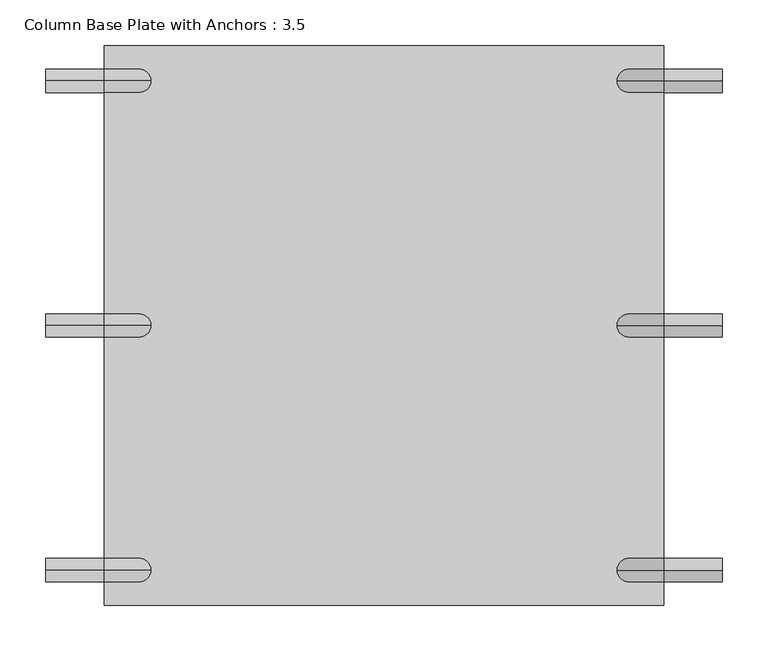
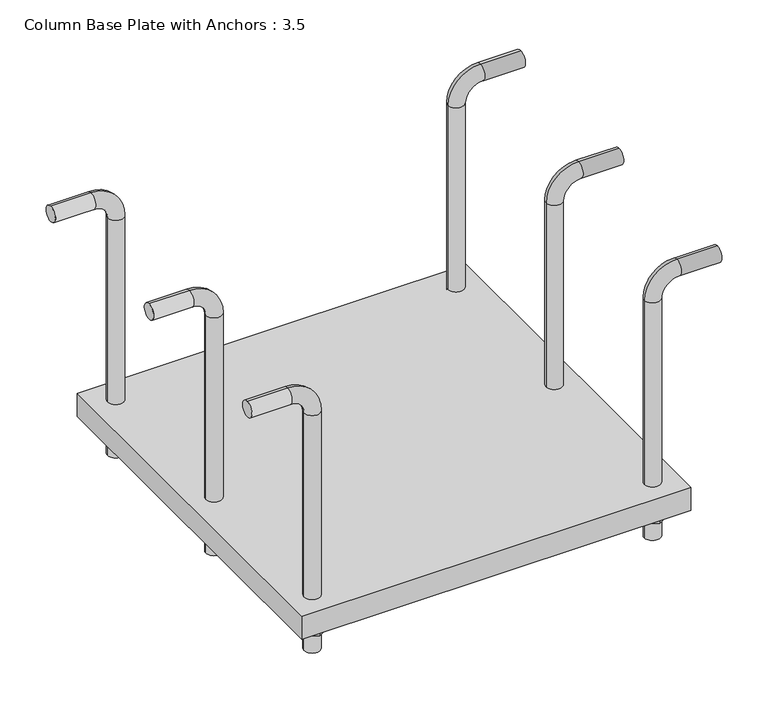
"""IFC4 building model written with IfcOpenShell, lengths in millimetres: fastener geometry, Column Base Plate with Anchors : 3.5."""

from ifc_helpers import new_model, si_unit, point, frame, origin, origin_with_axes, place, context, project, spatial, polyline, circle_curve, ellipse_curve, trimmed, outline, extrude, source, transform, mapped, element, save
from ifc_brep_helpers import plane_surface, cylinder_surface, revolved_surface, advanced_brep


def column_base_plate_with_anchors_3_5_8c5ebc89(model_context):
    return source(origin(), model_context, "Body", "SolidModel", [
        advanced_brep(
        [(279.4, 0.0, -50.8), (254.0, 0.0, -50.8), (254.0, 0.0, 342.9), (279.4, 0.0, 342.9), (304.8, 0.0, 368.3), (304.8, 0.0, 393.7), (368.3, 0.0, 393.7), (368.3, 0.0, 368.3)],
        [
            (0, 1, circle_curve(frame((266.7, 0.0, -50.8), z_axis=(0.0, 0.0, 1.0), x_axis=(1.0, 0.0, 0.0)), 12.7)),
            (1, 2),
            (2, 3, circle_curve(frame((266.7, 0.0, 342.9), z_axis=(0.0, 0.0, -1.0), x_axis=(1.0, 0.0, 0.0)), 12.7)),
            (3, 0),
            (0, 1, circle_curve(frame((266.7, 0.0, -50.8), z_axis=(0.0, 0.0, -1.0), x_axis=(1.0, 0.0, 0.0)), 12.7)),
            (3, 2, circle_curve(frame((266.7, 0.0, 342.9), z_axis=(0.0, 0.0, -1.0), x_axis=(1.0, 0.0, 0.0)), 12.7)),
            (4, 3, circle_curve(frame((304.8, 0.0, 342.9), z_axis=(0.0, -1.0, 0.0), x_axis=(-1.0, 0.0, 0.0)), 25.4)),
            (2, 5, circle_curve(frame((304.8, 0.0, 342.9), z_axis=(0.0, 1.0, 0.0), x_axis=(-1.0, 0.0, 0.0)), 50.8)),
            (5, 4, circle_curve(frame((304.8, 0.0, 381.0), z_axis=(-1.0, 0.0, 0.0), x_axis=(0.0, 0.0, -1.0)), 12.7)),
            (4, 5, circle_curve(frame((304.8, 0.0, 381.0), z_axis=(-1.0, 0.0, 0.0), x_axis=(0.0, 0.0, -1.0)), 12.7)),
            (6, 7, circle_curve(frame((368.3, 0.0, 381.0), z_axis=(1.0, 0.0, 0.0), x_axis=(0.0, 0.0, -1.0)), 12.7)),
            (7, 6, circle_curve(frame((368.3, 0.0, 381.0), z_axis=(1.0, 0.0, 0.0), x_axis=(0.0, 0.0, -1.0)), 12.7)),
            (5, 6),
            (7, 4),
        ],
        [
            cylinder_surface(frame((266.7, 0.0, -50.8), z_axis=(0.0, 0.0, -1.0), x_axis=(1.0, 0.0, 0.0)), 12.7),
            plane_surface(frame((266.7, 0.0, -50.8), z_axis=(0.0, 0.0, -1.0), x_axis=(0.0, 1.0, 0.0))),
            revolved_surface(trimmed(ellipse_curve(frame((266.7, 0.0, 342.9), z_axis=(0.0, 0.0, -1.0), x_axis=(1.0, 0.0, 0.0)), 12.7, 12.7), [point((254.0, 0.0, 342.9))], [point((279.4, 0.0, 342.9))], True, "CARTESIAN"), (304.8, 0.0, 342.9), (0.0, 1.0, 0.0)),
            revolved_surface(trimmed(ellipse_curve(frame((266.7, 0.0, 342.9), z_axis=(0.0, 0.0, -1.0), x_axis=(1.0, 0.0, 0.0)), 12.7, 12.7), [point((279.4, 0.0, 342.9))], [point((254.0, 0.0, 342.9))], True, "CARTESIAN"), (304.8, 0.0, 342.9), (0.0, 1.0, 0.0)),
            plane_surface(frame((368.3, 0.0, 381.0), z_axis=(1.0, 0.0, 0.0), x_axis=(0.0, 1.0, 0.0))),
            cylinder_surface(frame((304.8, 0.0, 381.0), z_axis=(-1.0, 0.0, 0.0), x_axis=(0.0, 0.0, -1.0)), 12.7),
        ],
        [
            (0, [[1, 2, 3, 4]]),
            (1, [[-1, 5]]),
            (0, [[-5, -4, 6, -2]]),
            (2, [[7, -3, 8, 9]]),
            (3, [[-8, -6, -7, 10]]),
            (4, [[11, 12]]),
            (5, [[-9, 13, -12, 14]]),
            (5, [[-10, -14, -11, -13]]),
        ],
    ),
        extrude(outline(polyline([(284.1625, -10.0819791), (266.7, -20.1639582), (249.2375, -10.0819791), (249.2375, 10.0819791), (266.7, 20.1639582), (284.1625, 10.0819791), (284.1625, -10.0819791)])), frame((0.0, 0.0, -19.05), z_axis=(0.0, 0.0, 1.0), x_axis=(1.0, 0.0, 0.0)), (0.0, 0.0, 1.0), 19.05),
        advanced_brep(
        [(279.4, 266.7, -50.8), (254.0, 266.7, -50.8), (254.0, 266.7, 342.9), (279.4, 266.7, 342.9), (304.8, 266.7, 368.3), (304.8, 266.7, 393.7), (368.3, 266.7, 393.7), (368.3, 266.7, 368.3)],
        [
            (0, 1, circle_curve(frame((266.7, 266.7, -50.8), z_axis=(0.0, 0.0, 1.0), x_axis=(1.0, 0.0, 0.0)), 12.7)),
            (1, 2),
            (2, 3, circle_curve(frame((266.7, 266.7, 342.9), z_axis=(0.0, 0.0, -1.0), x_axis=(1.0, 0.0, 0.0)), 12.7)),
            (3, 0),
            (0, 1, circle_curve(frame((266.7, 266.7, -50.8), z_axis=(0.0, 0.0, -1.0), x_axis=(1.0, 0.0, 0.0)), 12.7)),
            (3, 2, circle_curve(frame((266.7, 266.7, 342.9), z_axis=(0.0, 0.0, -1.0), x_axis=(1.0, 0.0, 0.0)), 12.7)),
            (4, 3, circle_curve(frame((304.8, 266.7, 342.9), z_axis=(0.0, -1.0, 0.0), x_axis=(-1.0, 0.0, 0.0)), 25.4)),
            (2, 5, circle_curve(frame((304.8, 266.7, 342.9), z_axis=(0.0, 1.0, 0.0), x_axis=(-1.0, 0.0, 0.0)), 50.8)),
            (5, 4, circle_curve(frame((304.8, 266.7, 381.0), z_axis=(-1.0, 0.0, 0.0), x_axis=(0.0, 0.0, -1.0)), 12.7)),
            (4, 5, circle_curve(frame((304.8, 266.7, 381.0), z_axis=(-1.0, 0.0, 0.0), x_axis=(0.0, 0.0, -1.0)), 12.7)),
            (6, 7, circle_curve(frame((368.3, 266.7, 381.0), z_axis=(1.0, 0.0, 0.0), x_axis=(0.0, 0.0, -1.0)), 12.7)),
            (7, 6, circle_curve(frame((368.3, 266.7, 381.0), z_axis=(1.0, 0.0, 0.0), x_axis=(0.0, 0.0, -1.0)), 12.7)),
            (5, 6),
            (7, 4),
        ],
        [
            cylinder_surface(frame((266.7, 266.7, -50.8), z_axis=(0.0, 0.0, -1.0), x_axis=(1.0, 0.0, 0.0)), 12.7),
            plane_surface(frame((266.7, 266.7, -50.8), z_axis=(0.0, 0.0, -1.0), x_axis=(0.0, 1.0, 0.0))),
            revolved_surface(trimmed(ellipse_curve(frame((266.7, 266.7, 342.9), z_axis=(0.0, 0.0, -1.0), x_axis=(1.0, 0.0, 0.0)), 12.7, 12.7), [point((254.0, 266.7, 342.9))], [point((279.4, 266.7, 342.9))], True, "CARTESIAN"), (304.8, 266.7, 342.9), (0.0, 1.0, 0.0)),
            revolved_surface(trimmed(ellipse_curve(frame((266.7, 266.7, 342.9), z_axis=(0.0, 0.0, -1.0), x_axis=(1.0, 0.0, 0.0)), 12.7, 12.7), [point((279.4, 266.7, 342.9))], [point((254.0, 266.7, 342.9))], True, "CARTESIAN"), (304.8, 266.7, 342.9), (0.0, 1.0, 0.0)),
            plane_surface(frame((368.3, 266.7, 381.0), z_axis=(1.0, 0.0, 0.0), x_axis=(0.0, 1.0, 0.0))),
            cylinder_surface(frame((304.8, 266.7, 381.0), z_axis=(-1.0, 0.0, 0.0), x_axis=(0.0, 0.0, -1.0)), 12.7),
        ],
        [
            (0, [[1, 2, 3, 4]]),
            (1, [[-1, 5]]),
            (0, [[-5, -4, 6, -2]]),
            (2, [[7, -3, 8, 9]]),
            (3, [[-8, -6, -7, 10]]),
            (4, [[11, 12]]),
            (5, [[-9, 13, -12, 14]]),
            (5, [[-10, -14, -11, -13]]),
        ],
    ),
        extrude(outline(polyline([(284.1625, 256.6180209), (266.7, 246.5360418), (249.2375, 256.6180209), (249.2375, 276.7819791), (266.7, 286.8639582), (284.1625, 276.7819791), (284.1625, 256.6180209)])), frame((0.0, 0.0, -19.05), z_axis=(0.0, 0.0, 1.0), x_axis=(1.0, 0.0, 0.0)), (0.0, 0.0, 1.0), 19.05),
        advanced_brep(
        [(-279.4, 0.0, -50.8), (-254.0, 0.0, -50.8), (-254.0, 0.0, 342.9), (-279.4, 0.0, 342.9), (-304.8, 0.0, 368.3), (-304.8, 0.0, 393.7), (-368.3, 0.0, 393.7), (-368.3, 0.0, 368.3)],
        [
            (0, 1, circle_curve(frame((-266.7, 0.0, -50.8), z_axis=(0.0, 0.0, 1.0), x_axis=(-1.0, 0.0, 0.0)), 12.7)),
            (1, 2),
            (2, 3, circle_curve(frame((-266.7, 0.0, 342.9), z_axis=(0.0, 0.0, -1.0), x_axis=(-1.0, 0.0, 0.0)), 12.7)),
            (3, 0),
            (0, 1, circle_curve(frame((-266.7, 0.0, -50.8), z_axis=(0.0, 0.0, -1.0), x_axis=(-1.0, 0.0, 0.0)), 12.7)),
            (3, 2, circle_curve(frame((-266.7, 0.0, 342.9), z_axis=(0.0, 0.0, -1.0), x_axis=(-1.0, 0.0, 0.0)), 12.7)),
            (4, 3, circle_curve(frame((-304.8, 0.0, 342.9), z_axis=(0.0, 1.0, 0.0), x_axis=(1.0, 0.0, 0.0)), 25.4)),
            (2, 5, circle_curve(frame((-304.8, 0.0, 342.9), z_axis=(0.0, -1.0, 0.0), x_axis=(1.0, 0.0, 0.0)), 50.8)),
            (5, 4, circle_curve(frame((-304.8, 0.0, 381.0), z_axis=(1.0, 0.0, 0.0), x_axis=(0.0, 0.0, -1.0)), 12.7)),
            (4, 5, circle_curve(frame((-304.8, 0.0, 381.0), z_axis=(1.0, 0.0, 0.0), x_axis=(0.0, 0.0, -1.0)), 12.7)),
            (6, 7, circle_curve(frame((-368.3, 0.0, 381.0), z_axis=(-1.0, 0.0, 0.0), x_axis=(0.0, 0.0, -1.0)), 12.7)),
            (7, 6, circle_curve(frame((-368.3, 0.0, 381.0), z_axis=(-1.0, 0.0, 0.0), x_axis=(0.0, 0.0, -1.0)), 12.7)),
            (5, 6),
            (7, 4),
        ],
        [
            cylinder_surface(frame((-266.7, 0.0, -50.8), z_axis=(0.0, 0.0, -1.0), x_axis=(-1.0, 0.0, 0.0)), 12.7),
            plane_surface(frame((-266.7, 0.0, -50.8), z_axis=(0.0, 0.0, -1.0), x_axis=(0.0, -1.0, 0.0))),
            revolved_surface(trimmed(ellipse_curve(frame((-266.7, 0.0, 342.9), z_axis=(0.0, 0.0, -1.0), x_axis=(-1.0, 0.0, 0.0)), 12.7, 12.7), [point((-254.0, 0.0, 342.9))], [point((-279.4, 0.0, 342.9))], True, "CARTESIAN"), (-304.8, 0.0, 342.9), (0.0, -1.0, 0.0)),
            revolved_surface(trimmed(ellipse_curve(frame((-266.7, 0.0, 342.9), z_axis=(0.0, 0.0, -1.0), x_axis=(-1.0, 0.0, 0.0)), 12.7, 12.7), [point((-279.4, 0.0, 342.9))], [point((-254.0, 0.0, 342.9))], True, "CARTESIAN"), (-304.8, 0.0, 342.9), (0.0, -1.0, 0.0)),
            plane_surface(frame((-368.3, 0.0, 381.0), z_axis=(-1.0, 0.0, 0.0), x_axis=(0.0, -1.0, 0.0))),
            cylinder_surface(frame((-304.8, 0.0, 381.0), z_axis=(1.0, 0.0, 0.0), x_axis=(0.0, 0.0, -1.0)), 12.7),
        ],
        [
            (0, [[1, 2, 3, 4]]),
            (1, [[-1, 5]]),
            (0, [[-5, -4, 6, -2]]),
            (2, [[7, -3, 8, 9]]),
            (3, [[-8, -6, -7, 10]]),
            (4, [[11, 12]]),
            (5, [[-9, 13, -12, 14]]),
            (5, [[-10, -14, -11, -13]]),
        ],
    ),
        extrude(outline(polyline([(-284.1625, 10.0819791), (-266.7, 20.1639582), (-249.2375, 10.0819791), (-249.2375, -10.0819791), (-266.7, -20.1639582), (-284.1625, -10.0819791), (-284.1625, 10.0819791)])), frame((0.0, 0.0, -19.05), z_axis=(0.0, 0.0, 1.0), x_axis=(1.0, 0.0, 0.0)), (0.0, 0.0, 1.0), 19.05),
        advanced_brep(
        [(-279.4, 266.7, -50.8), (-254.0, 266.7, -50.8), (-254.0, 266.7, 342.9), (-279.4, 266.7, 342.9), (-304.8, 266.7, 368.3), (-304.8, 266.7, 393.7), (-368.3, 266.7, 393.7), (-368.3, 266.7, 368.3)],
        [
            (0, 1, circle_curve(frame((-266.7, 266.7, -50.8), z_axis=(0.0, 0.0, 1.0), x_axis=(-1.0, 0.0, 0.0)), 12.7)),
            (1, 2),
            (2, 3, circle_curve(frame((-266.7, 266.7, 342.9), z_axis=(0.0, 0.0, -1.0), x_axis=(-1.0, 0.0, 0.0)), 12.7)),
            (3, 0),
            (0, 1, circle_curve(frame((-266.7, 266.7, -50.8), z_axis=(0.0, 0.0, -1.0), x_axis=(-1.0, 0.0, 0.0)), 12.7)),
            (3, 2, circle_curve(frame((-266.7, 266.7, 342.9), z_axis=(0.0, 0.0, -1.0), x_axis=(-1.0, 0.0, 0.0)), 12.7)),
            (4, 3, circle_curve(frame((-304.8, 266.7, 342.9), z_axis=(0.0, 1.0, 0.0), x_axis=(1.0, 0.0, 0.0)), 25.4)),
            (2, 5, circle_curve(frame((-304.8, 266.7, 342.9), z_axis=(0.0, -1.0, 0.0), x_axis=(1.0, 0.0, 0.0)), 50.8)),
            (5, 4, circle_curve(frame((-304.8, 266.7, 381.0), z_axis=(1.0, 0.0, 0.0), x_axis=(0.0, 0.0, -1.0)), 12.7)),
            (4, 5, circle_curve(frame((-304.8, 266.7, 381.0), z_axis=(1.0, 0.0, 0.0), x_axis=(0.0, 0.0, -1.0)), 12.7)),
            (6, 7, circle_curve(frame((-368.3, 266.7, 381.0), z_axis=(-1.0, 0.0, 0.0), x_axis=(0.0, 0.0, -1.0)), 12.7)),
            (7, 6, circle_curve(frame((-368.3, 266.7, 381.0), z_axis=(-1.0, 0.0, 0.0), x_axis=(0.0, 0.0, -1.0)), 12.7)),
            (5, 6),
            (7, 4),
        ],
        [
            cylinder_surface(frame((-266.7, 266.7, -50.8), z_axis=(0.0, 0.0, -1.0), x_axis=(-1.0, 0.0, 0.0)), 12.7),
            plane_surface(frame((-266.7, 266.7, -50.8), z_axis=(0.0, 0.0, -1.0), x_axis=(0.0, -1.0, 0.0))),
            revolved_surface(trimmed(ellipse_curve(frame((-266.7, 266.7, 342.9), z_axis=(0.0, 0.0, -1.0), x_axis=(-1.0, 0.0, 0.0)), 12.7, 12.7), [point((-254.0, 266.7, 342.9))], [point((-279.4, 266.7, 342.9))], True, "CARTESIAN"), (-304.8, 266.7, 342.9), (0.0, -1.0, 0.0)),
            revolved_surface(trimmed(ellipse_curve(frame((-266.7, 266.7, 342.9), z_axis=(0.0, 0.0, -1.0), x_axis=(-1.0, 0.0, 0.0)), 12.7, 12.7), [point((-279.4, 266.7, 342.9))], [point((-254.0, 266.7, 342.9))], True, "CARTESIAN"), (-304.8, 266.7, 342.9), (0.0, -1.0, 0.0)),
            plane_surface(frame((-368.3, 266.7, 381.0), z_axis=(-1.0, 0.0, 0.0), x_axis=(0.0, -1.0, 0.0))),
            cylinder_surface(frame((-304.8, 266.7, 381.0), z_axis=(1.0, 0.0, 0.0), x_axis=(0.0, 0.0, -1.0)), 12.7),
        ],
        [
            (0, [[1, 2, 3, 4]]),
            (1, [[-1, 5]]),
            (0, [[-5, -4, 6, -2]]),
            (2, [[7, -3, 8, 9]]),
            (3, [[-8, -6, -7, 10]]),
            (4, [[11, 12]]),
            (5, [[-9, 13, -12, 14]]),
            (5, [[-10, -14, -11, -13]]),
        ],
    ),
        extrude(outline(polyline([(-284.1625, 276.7819791), (-266.7, 286.8639582), (-249.2375, 276.7819791), (-249.2375, 256.6180209), (-266.7, 246.5360418), (-284.1625, 256.6180209), (-284.1625, 276.7819791)])), frame((0.0, 0.0, -19.05), z_axis=(0.0, 0.0, 1.0), x_axis=(1.0, 0.0, 0.0)), (0.0, 0.0, 1.0), 19.05),
        advanced_brep(
        [(-279.4, -266.7, -50.8), (-254.0, -266.7, -50.8), (-254.0, -266.7, 342.9), (-279.4, -266.7, 342.9), (-304.8, -266.7, 368.3), (-304.8, -266.7, 393.7), (-368.3, -266.7, 393.7), (-368.3, -266.7, 368.3)],
        [
            (0, 1, circle_curve(frame((-266.7, -266.7, -50.8), z_axis=(0.0, 0.0, 1.0), x_axis=(-1.0, 0.0, 0.0)), 12.7)),
            (1, 2),
            (2, 3, circle_curve(frame((-266.7, -266.7, 342.9), z_axis=(0.0, 0.0, -1.0), x_axis=(-1.0, 0.0, 0.0)), 12.7)),
            (3, 0),
            (0, 1, circle_curve(frame((-266.7, -266.7, -50.8), z_axis=(0.0, 0.0, -1.0), x_axis=(-1.0, 0.0, 0.0)), 12.7)),
            (3, 2, circle_curve(frame((-266.7, -266.7, 342.9), z_axis=(0.0, 0.0, -1.0), x_axis=(-1.0, 0.0, 0.0)), 12.7)),
            (4, 3, circle_curve(frame((-304.8, -266.7, 342.9), z_axis=(0.0, 1.0, 0.0), x_axis=(1.0, 0.0, 0.0)), 25.4)),
            (2, 5, circle_curve(frame((-304.8, -266.7, 342.9), z_axis=(0.0, -1.0, 0.0), x_axis=(1.0, 0.0, 0.0)), 50.8)),
            (5, 4, circle_curve(frame((-304.8, -266.7, 381.0), z_axis=(1.0, 0.0, 0.0), x_axis=(0.0, 0.0, -1.0)), 12.7)),
            (4, 5, circle_curve(frame((-304.8, -266.7, 381.0), z_axis=(1.0, 0.0, 0.0), x_axis=(0.0, 0.0, -1.0)), 12.7)),
            (6, 7, circle_curve(frame((-368.3, -266.7, 381.0), z_axis=(-1.0, 0.0, 0.0), x_axis=(0.0, 0.0, -1.0)), 12.7)),
            (7, 6, circle_curve(frame((-368.3, -266.7, 381.0), z_axis=(-1.0, 0.0, 0.0), x_axis=(0.0, 0.0, -1.0)), 12.7)),
            (5, 6),
            (7, 4),
        ],
        [
            cylinder_surface(frame((-266.7, -266.7, -50.8), z_axis=(0.0, 0.0, -1.0), x_axis=(-1.0, 0.0, 0.0)), 12.7),
            plane_surface(frame((-266.7, -266.7, -50.8), z_axis=(0.0, 0.0, -1.0), x_axis=(0.0, -1.0, 0.0))),
            revolved_surface(trimmed(ellipse_curve(frame((-266.7, -266.7, 342.9), z_axis=(0.0, 0.0, -1.0), x_axis=(-1.0, 0.0, 0.0)), 12.7, 12.7), [point((-254.0, -266.7, 342.9))], [point((-279.4, -266.7, 342.9))], True, "CARTESIAN"), (-304.8, -266.7, 342.9), (0.0, -1.0, 0.0)),
            revolved_surface(trimmed(ellipse_curve(frame((-266.7, -266.7, 342.9), z_axis=(0.0, 0.0, -1.0), x_axis=(-1.0, 0.0, 0.0)), 12.7, 12.7), [point((-279.4, -266.7, 342.9))], [point((-254.0, -266.7, 342.9))], True, "CARTESIAN"), (-304.8, -266.7, 342.9), (0.0, -1.0, 0.0)),
            plane_surface(frame((-368.3, -266.7, 381.0), z_axis=(-1.0, 0.0, 0.0), x_axis=(0.0, -1.0, 0.0))),
            cylinder_surface(frame((-304.8, -266.7, 381.0), z_axis=(1.0, 0.0, 0.0), x_axis=(0.0, 0.0, -1.0)), 12.7),
        ],
        [
            (0, [[1, 2, 3, 4]]),
            (1, [[-1, 5]]),
            (0, [[-5, -4, 6, -2]]),
            (2, [[7, -3, 8, 9]]),
            (3, [[-8, -6, -7, 10]]),
            (4, [[11, 12]]),
            (5, [[-9, 13, -12, 14]]),
            (5, [[-10, -14, -11, -13]]),
        ],
    ),
        extrude(outline(polyline([(-284.1625, -256.6180209), (-266.7, -246.5360418), (-249.2375, -256.6180209), (-249.2375, -276.7819791), (-266.7, -286.8639582), (-284.1625, -276.7819791), (-284.1625, -256.6180209)])), frame((0.0, 0.0, -19.05), z_axis=(0.0, 0.0, 1.0), x_axis=(1.0, 0.0, 0.0)), (0.0, 0.0, 1.0), 19.05),
        advanced_brep(
        [(279.4, -266.7, -50.8), (254.0, -266.7, -50.8), (254.0, -266.7, 342.9), (279.4, -266.7, 342.9), (304.8, -266.7, 368.3), (304.8, -266.7, 393.7), (368.3, -266.7, 393.7), (368.3, -266.7, 368.3)],
        [
            (0, 1, circle_curve(frame((266.7, -266.7, -50.8), z_axis=(0.0, 0.0, 1.0), x_axis=(1.0, 0.0, 0.0)), 12.7)),
            (1, 2),
            (2, 3, circle_curve(frame((266.7, -266.7, 342.9), z_axis=(0.0, 0.0, -1.0), x_axis=(1.0, 0.0, 0.0)), 12.7)),
            (3, 0),
            (0, 1, circle_curve(frame((266.7, -266.7, -50.8), z_axis=(0.0, 0.0, -1.0), x_axis=(1.0, 0.0, 0.0)), 12.7)),
            (3, 2, circle_curve(frame((266.7, -266.7, 342.9), z_axis=(0.0, 0.0, -1.0), x_axis=(1.0, 0.0, 0.0)), 12.7)),
            (4, 3, circle_curve(frame((304.8, -266.7, 342.9), z_axis=(0.0, -1.0, 0.0), x_axis=(-1.0, 0.0, 0.0)), 25.4)),
            (2, 5, circle_curve(frame((304.8, -266.7, 342.9), z_axis=(0.0, 1.0, 0.0), x_axis=(-1.0, 0.0, 0.0)), 50.8)),
            (5, 4, circle_curve(frame((304.8, -266.7, 381.0), z_axis=(-1.0, 0.0, 0.0), x_axis=(0.0, 0.0, -1.0)), 12.7)),
            (4, 5, circle_curve(frame((304.8, -266.7, 381.0), z_axis=(-1.0, 0.0, 0.0), x_axis=(0.0, 0.0, -1.0)), 12.7)),
            (6, 7, circle_curve(frame((368.3, -266.7, 381.0), z_axis=(1.0, 0.0, 0.0), x_axis=(0.0, 0.0, -1.0)), 12.7)),
            (7, 6, circle_curve(frame((368.3, -266.7, 381.0), z_axis=(1.0, 0.0, 0.0), x_axis=(0.0, 0.0, -1.0)), 12.7)),
            (5, 6),
            (7, 4),
        ],
        [
            cylinder_surface(frame((266.7, -266.7, -50.8), z_axis=(0.0, 0.0, -1.0), x_axis=(1.0, 0.0, 0.0)), 12.7),
            plane_surface(frame((266.7, -266.7, -50.8), z_axis=(0.0, 0.0, -1.0), x_axis=(0.0, 1.0, 0.0))),
            revolved_surface(trimmed(ellipse_curve(frame((266.7, -266.7, 342.9), z_axis=(0.0, 0.0, -1.0), x_axis=(1.0, 0.0, 0.0)), 12.7, 12.7), [point((254.0, -266.7, 342.9))], [point((279.4, -266.7, 342.9))], True, "CARTESIAN"), (304.8, -266.7, 342.9), (0.0, 1.0, 0.0)),
            revolved_surface(trimmed(ellipse_curve(frame((266.7, -266.7, 342.9), z_axis=(0.0, 0.0, -1.0), x_axis=(1.0, 0.0, 0.0)), 12.7, 12.7), [point((279.4, -266.7, 342.9))], [point((254.0, -266.7, 342.9))], True, "CARTESIAN"), (304.8, -266.7, 342.9), (0.0, 1.0, 0.0)),
            plane_surface(frame((368.3, -266.7, 381.0), z_axis=(1.0, 0.0, 0.0), x_axis=(0.0, 1.0, 0.0))),
            cylinder_surface(frame((304.8, -266.7, 381.0), z_axis=(-1.0, 0.0, 0.0), x_axis=(0.0, 0.0, -1.0)), 12.7),
        ],
        [
            (0, [[1, 2, 3, 4]]),
            (1, [[-1, 5]]),
            (0, [[-5, -4, 6, -2]]),
            (2, [[7, -3, 8, 9]]),
            (3, [[-8, -6, -7, 10]]),
            (4, [[11, 12]]),
            (5, [[-9, 13, -12, 14]]),
            (5, [[-10, -14, -11, -13]]),
        ],
    ),
        extrude(outline(polyline([(284.1625, -276.7819791), (266.7, -286.8639582), (249.2375, -276.7819791), (249.2375, -256.6180209), (266.7, -246.5360418), (284.1625, -256.6180209), (284.1625, -276.7819791)])), frame((0.0, 0.0, -19.05), z_axis=(0.0, 0.0, 1.0), x_axis=(1.0, 0.0, 0.0)), (0.0, 0.0, 1.0), 19.05),
        extrude(outline(polyline([(304.8, 304.8), (304.8, -304.8), (-304.8, -304.8), (-304.8, 304.8), (304.8, 304.8)])), origin_with_axes(), (0.0, 0.0, 1.0), 38.1),
    ])


if __name__ == "__main__":
    model = new_model("IFC4")
    model_context = context("Model", 3, world=origin())
    ifc_project = project(units=[si_unit("LENGTHUNIT", "METRE", prefix="MILLI")], contexts=[model_context])
    site = spatial("IfcSite", under=ifc_project)
    building = spatial("IfcBuilding", under=site)
    placement = place(None, origin())
    column_base_plate_with_anchors_3_5_shape = column_base_plate_with_anchors_3_5_8c5ebc89(model_context)
    element("IfcFastener", 1, ObjectType="Column Base Plate with Anchors : 3.5", at=placement, inside=building, context=model_context, shape_type="MappedRepresentation", body=[
        mapped(column_base_plate_with_anchors_3_5_shape, transform((0.0, 0.0, 0.0), x_axis=(1.0, 0.0, 0.0), y_axis=(0.0, 1.0, 0.0), z_axis=(0.0, 0.0, 1.0))),
    ])
    save(model, "model.ifc")
